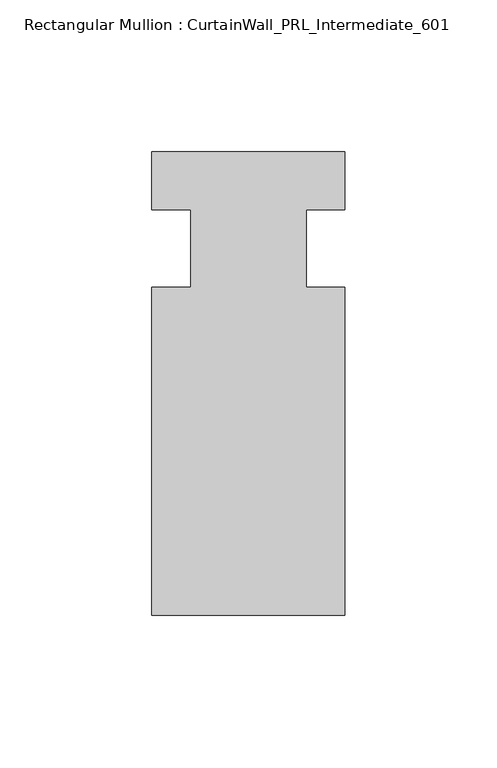
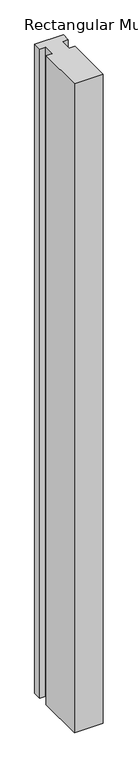
"""IFC4 building model written with IfcOpenShell, lengths in millimetres: member geometry, Rectangular Mullion : CurtainWall_PRL_Intermediate_601."""

import ifcopenshell
import ifcopenshell.guid

model = None  # the IFC model being written
_history = None  # IfcOwnerHistory: only IFC2X3 demands one
_inside = {}  # id of a spatial element -> (the spatial element, [elements in it])
_under = {}  # id of a project, library or spatial element -> (it, [spatial elements below it])
_declared = {}  # id of a project -> (the project, [libraries it declares])
_typed = {}  # id of a type object -> (the type object, [elements of that type])
_made_of = {}  # id of a material, layer set ... -> (it, [elements and type objects made of it])


def new_model(schema):
    """Start an empty IFC model of exactly this schema.

    Asked for "IFC4X3", IfcOpenShell would pick the latest addendum, in which some entities
    have other attributes; the version numbers below select the first issue.
    IFC2X3 requires an IfcOwnerHistory on every rooted entity: one is made here for all.
    """
    global model, _history
    if schema == "IFC4X3":
        model = ifcopenshell.file(schema_version=(4, 3, 0, 0))
    else:
        model = ifcopenshell.file(schema=schema)
    _inside.clear()
    _under.clear()
    _declared.clear()
    _typed.clear()
    _made_of.clear()
    _history = None
    if model.schema == "IFC2X3":
        org = make("IfcOrganization", Name="unknown")
        user = make(
            "IfcPersonAndOrganization",
            ThePerson=make("IfcPerson", FamilyName="unknown"),
            TheOrganization=org,
        )
        app = make(
            "IfcApplication",
            ApplicationDeveloper=org,
            Version="unknown",
            ApplicationFullName="unknown",
            ApplicationIdentifier="unknown",
        )
        _history = make(
            "IfcOwnerHistory",
            OwningUser=user,
            OwningApplication=app,
            ChangeAction="ADDED",
            CreationDate=0,
        )
    return model


def make(cls, **values):
    """One entity of the class cls with the attributes given. An attribute that is None is left unset."""
    return model.create_entity(
        cls, **{name: value for name, value in values.items() if value is not None}
    )


def rooted(cls, **values):
    """An entity with a GlobalId (a new one), such as an element, a storey or a relation."""
    return make(cls, GlobalId=ifcopenshell.guid.new(), OwnerHistory=_history, **values)


def si_unit(unit_type, name, prefix=None):
    """IfcSIUnit, for example si_unit("LENGTHUNIT", "METRE", prefix="MILLI")."""
    return make("IfcSIUnit", UnitType=unit_type, Prefix=prefix, Name=name)


def assignment(units):
    """IfcUnitAssignment: the units of a project."""
    return None if units is None else make("IfcUnitAssignment", Units=units)


def point(xyz):
    """IfcCartesianPoint."""
    return None if xyz is None else make("IfcCartesianPoint", Coordinates=xyz)


def direction(xyz):
    """IfcDirection."""
    return None if xyz is None else make("IfcDirection", DirectionRatios=xyz)


def frame(location, z_axis=None, x_axis=None):
    """IfcAxis2Placement3D, a coordinate frame: its origin and axes. An axis left out is left unset."""
    return make(
        "IfcAxis2Placement3D",
        Location=point(location),
        Axis=direction(z_axis),
        RefDirection=direction(x_axis),
    )


def origin():
    """The frame at (0, 0, 0) with its axes left unset."""
    return frame((0.0, 0.0, 0.0))


def place(relative_to, where):
    """IfcLocalPlacement: puts the frame where relative to a parent placement (None: the world)."""
    return make(
        "IfcLocalPlacement", PlacementRelTo=relative_to, RelativePlacement=where
    )


def context(
    kind, dimensions, precision=None, world=None, true_north=None, identifier=None
):
    """IfcGeometricRepresentationContext, for example the 3D "Model" context."""
    return make(
        "IfcGeometricRepresentationContext",
        ContextIdentifier=identifier,
        ContextType=kind,
        CoordinateSpaceDimension=dimensions,
        Precision=precision,
        WorldCoordinateSystem=world,
        TrueNorth=true_north,
    )


def project(units=None, contexts=None):
    """IfcProject with its units and contexts."""
    return rooted(
        "IfcProject",
        Name="project",
        RepresentationContexts=contexts,
        UnitsInContext=assignment(units),
    )


def spatial(cls, under=None, at=None, **own):
    """A site, building, storey or space (cls), placed at a placement, below another one or the project."""
    s = rooted(cls, ObjectPlacement=at, **own)
    if under is not None:
        _under.setdefault(under.id(), (under, []))[1].append(s)
    return s


def polyline(points):
    """IfcPolyline through the points."""
    return make("IfcPolyline", Points=[point(p) for p in points])


def outline(outer, holes=None, kind="AREA"):
    """IfcArbitraryClosedProfileDef: a profile drawn as a closed curve; with holes, ...WithVoids."""
    if holes is None:
        return make("IfcArbitraryClosedProfileDef", ProfileType=kind, OuterCurve=outer)
    return make(
        "IfcArbitraryProfileDefWithVoids",
        ProfileType=kind,
        OuterCurve=outer,
        InnerCurves=holes,
    )


def extrude(swept, where, along, depth):
    """IfcExtrudedAreaSolid: the profile swept, set in the frame where, extruded along a direction by depth."""
    return make(
        "IfcExtrudedAreaSolid",
        SweptArea=swept,
        Position=where,
        ExtrudedDirection=direction(along),
        Depth=depth,
    )


def shape(context_of_items, identifier, shape_type, items):
    """IfcShapeRepresentation: the items that make up one representation, for example the "Body"."""
    return make(
        "IfcShapeRepresentation",
        ContextOfItems=context_of_items,
        RepresentationIdentifier=identifier,
        RepresentationType=shape_type,
        Items=items,
    )


def source(mapping_origin, context_of_items, identifier, shape_type, items):
    """IfcRepresentationMap: a shape defined once, which mapped items show again and again."""
    return make(
        "IfcRepresentationMap",
        MappingOrigin=mapping_origin,
        MappedRepresentation=shape(context_of_items, identifier, shape_type, items),
    )


def transform(
    local_origin,
    x_axis=None,
    y_axis=None,
    z_axis=None,
    scale=None,
    scale2=None,
    scale3=None,
    uniform=True,
):
    """IfcCartesianTransformationOperator3D, or its non-uniform kind. x_axis, y_axis, z_axis: its Axis1, 2, 3."""
    if uniform:
        return make(
            "IfcCartesianTransformationOperator3D",
            Axis1=direction(x_axis),
            Axis2=direction(y_axis),
            LocalOrigin=point(local_origin),
            Scale=scale,
            Axis3=direction(z_axis),
        )
    return make(
        "IfcCartesianTransformationOperator3DnonUniform",
        Axis1=direction(x_axis),
        Axis2=direction(y_axis),
        LocalOrigin=point(local_origin),
        Scale=scale,
        Axis3=direction(z_axis),
        Scale2=scale2,
        Scale3=scale3,
    )


def mapped(mapping_source, mapping_target):
    """IfcMappedItem: shows the shape of a source again, moved by a transform."""
    return make(
        "IfcMappedItem", MappingSource=mapping_source, MappingTarget=mapping_target
    )


def made_of(thing, what):
    """Note that an element or type object is made of a material, layer set ...; save() writes the relation."""
    if what is not None:
        _made_of.setdefault(what.id(), (what, []))[1].append(thing)
    return thing


def element(
    cls,
    number,
    at=None,
    inside=None,
    cuts=None,
    type_object=None,
    material=None,
    context=None,
    identifier="Body",
    shape_type=None,
    held_by="IfcProductDefinitionShape",
    body=None,
    shapes=None,
    **own,
):
    """One element of the class cls, such as IfcWall. Its Tag is "e" and its number.

    at: its placement. inside: the storey or other place that contains it. cuts: it is an
    opening in that element (IfcRelVoidsElement). A single representation is given by context,
    identifier, shape_type and body (its items); several are given by shapes. held_by: the class
    of the entity that holds the representations. save() writes the other relations.
    """
    e = rooted(cls, Tag="e%d" % number, ObjectPlacement=at, **own)
    if body is not None:
        shapes = [shape(context, identifier, shape_type, body)]
    if shapes is not None:
        e.Representation = make(held_by, Representations=shapes)
    if inside is not None:
        _inside.setdefault(inside.id(), (inside, []))[1].append(e)
    if cuts is not None:
        rooted(
            "IfcRelVoidsElement", RelatingBuildingElement=cuts, RelatedOpeningElement=e
        )
    if type_object is not None:
        _typed.setdefault(type_object.id(), (type_object, []))[1].append(e)
    return made_of(e, material)


def aggregate(whole, parts):
    """IfcRelAggregates: a whole, such as a stair, and the parts it consists of."""
    return rooted("IfcRelAggregates", RelatingObject=whole, RelatedObjects=parts)


def save(model, path):
    """Write the relations noted so far, then the file.

    IfcRelAggregates (storeys below a building ...), IfcRelContainedInSpatialStructure (elements
    in a storey), IfcRelDefinesByType, IfcRelAssociatesMaterial and IfcRelDeclares: one each for
    every whole, place, type object, material and project.
    """
    for whole, parts in _under.values():
        aggregate(whole, parts)
    for where, things in _inside.values():
        rooted(
            "IfcRelContainedInSpatialStructure",
            RelatedElements=things,
            RelatingStructure=where,
        )
    for kind, things in _typed.values():
        rooted("IfcRelDefinesByType", RelatedObjects=things, RelatingType=kind)
    for what, things in _made_of.values():
        rooted("IfcRelAssociatesMaterial", RelatedObjects=things, RelatingMaterial=what)
    for by, libraries in _declared.values():
        rooted("IfcRelDeclares", RelatingContext=by, RelatedDefinitions=libraries)
    model.write(path)


def rectangular_mullion_curtainwall_prl_intermediate_601_e618e97c(model_context):
    return source(origin(), model_context, "Body", "SweptSolid", [
        extrude(outline(polyline([(-19.05, -12.7), (-19.05, 12.7), (-31.75, 12.7), (-31.75, 31.75), (31.75, 31.75), (31.75, 12.7), (19.05, 12.7), (19.05, -12.7), (31.75, -12.7), (31.75, -120.65), (-31.75, -120.65), (-31.75, -12.7), (-19.05, -12.7)])), frame((0.0, 0.0, -1524.0), z_axis=(0.0, 0.0, 1.0), x_axis=(1.0, 0.0, 0.0)), (0.0, 0.0, 1.0), 1524.0),
    ])


if __name__ == "__main__":
    model = new_model("IFC4")
    model_context = context("Model", 3, world=origin())
    ifc_project = project(units=[si_unit("LENGTHUNIT", "METRE", prefix="MILLI")], contexts=[model_context])
    site = spatial("IfcSite", under=ifc_project)
    building = spatial("IfcBuilding", under=site)
    placement = place(None, origin())
    rectangular_mullion_curtainwall_prl_intermediate_601_shape = rectangular_mullion_curtainwall_prl_intermediate_601_e618e97c(model_context)
    element("IfcMember", 1, ObjectType="Rectangular Mullion : CurtainWall_PRL_Intermediate_601", at=placement, inside=building, context=model_context, shape_type="MappedRepresentation", body=[
        mapped(rectangular_mullion_curtainwall_prl_intermediate_601_shape, transform((0.0, 0.0, 0.0), x_axis=(1.0, 0.0, 0.0), y_axis=(0.0, 1.0, 0.0), z_axis=(0.0, 0.0, 1.0))),
    ])
    save(model, "model.ifc")
